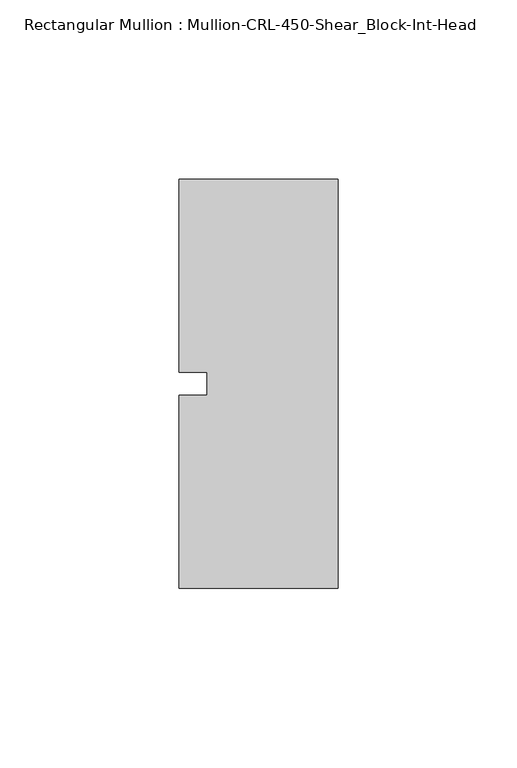
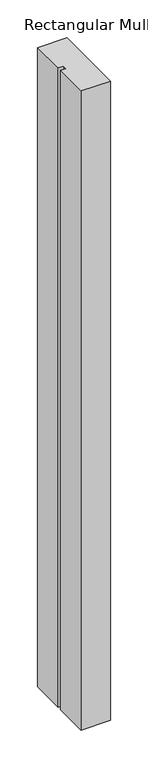
"""IFC4 building model written with IfcOpenShell, lengths in millimetres: member geometry, Rectangular Mullion : Mullion-CRL-450-Shear_Block-Int-Head."""

from ifc_helpers import new_model, si_unit, frame, origin, place, context, project, spatial, polyline, outline, extrude, source, transform, mapped, element, save


def rectangular_mullion_mullion_crl_450_shear_block_int_head_b80b7b2e(model_context):
    return source(origin(), model_context, "Body", "SweptSolid", [
        extrude(outline(polyline([(0.0, 57.15), (0.0, -57.15), (-44.45, -57.15), (-44.45, -3.175), (-36.5125, -3.175), (-36.5125, 3.175), (-44.45, 3.175), (-44.45, 57.15), (0.0, 57.15)])), frame((0.0, 0.0, -1028.7), z_axis=(0.0, 0.0, 1.0), x_axis=(1.0, 0.0, 0.0)), (0.0, 0.0, 1.0), 1028.7),
    ])


if __name__ == "__main__":
    model = new_model("IFC4")
    model_context = context("Model", 3, world=origin())
    ifc_project = project(units=[si_unit("LENGTHUNIT", "METRE", prefix="MILLI")], contexts=[model_context])
    site = spatial("IfcSite", under=ifc_project)
    building = spatial("IfcBuilding", under=site)
    placement = place(None, origin())
    rectangular_mullion_mullion_crl_450_shear_block_int_head_shape = rectangular_mullion_mullion_crl_450_shear_block_int_head_b80b7b2e(model_context)
    element("IfcMember", 1, ObjectType="Rectangular Mullion : Mullion-CRL-450-Shear_Block-Int-Head", at=placement, inside=building, context=model_context, shape_type="MappedRepresentation", body=[
        mapped(rectangular_mullion_mullion_crl_450_shear_block_int_head_shape, transform((0.0, 0.0, 0.0), x_axis=(1.0, 0.0, 0.0), y_axis=(0.0, 1.0, 0.0), z_axis=(0.0, 0.0, 1.0))),
    ])
    save(model, "model.ifc")
